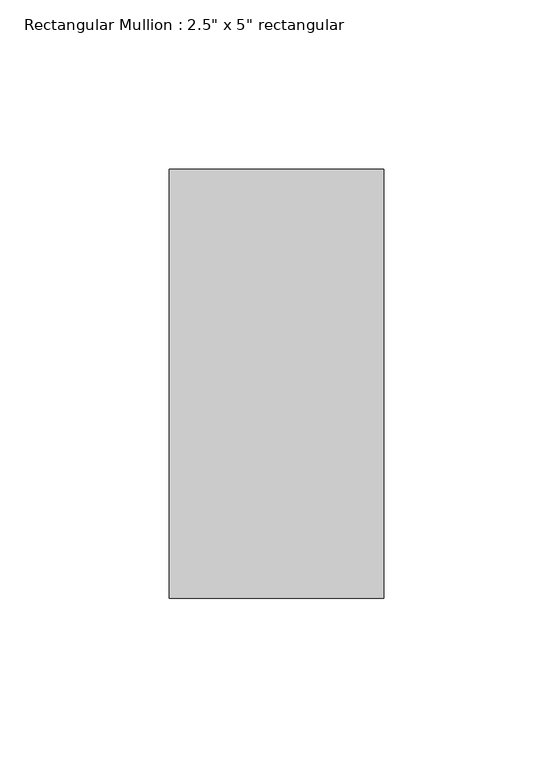
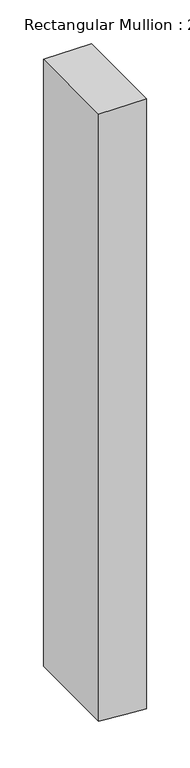
"""IFC4 building model written with IfcOpenShell, lengths in millimetres: member geometry."""

from ifc_helpers import new_model, si_unit, frame, origin, place, context, project, spatial, polyline, outline, extrude, source, transform, mapped, element, save


def member_16ee3fa7(model_context):
    return source(origin(), model_context, "Body", "SweptSolid", [
        extrude(outline(polyline([(0.0, 31.75), (0.0, -31.75), (-850.2420098, -31.75), (-852.6184497, 4.1910353), (-854.4413314, 31.75), (0.0, 31.75)])), frame((0.0, -63.5, 0.0), z_axis=(0.0, 1.0, 0.0), x_axis=(0.0, 0.0, 1.0)), (0.0, 0.0, 1.0), 127.0),
    ])


if __name__ == "__main__":
    model = new_model("IFC4")
    model_context = context("Model", 3, world=origin())
    ifc_project = project(units=[si_unit("LENGTHUNIT", "METRE", prefix="MILLI")], contexts=[model_context])
    site = spatial("IfcSite", under=ifc_project)
    building = spatial("IfcBuilding", under=site)
    placement = place(None, origin())
    member_shape = member_16ee3fa7(model_context)
    element("IfcMember", 1, ObjectType="Rectangular Mullion : 2.5\" x 5\" rectangular", at=placement, inside=building, context=model_context, shape_type="MappedRepresentation", body=[
        mapped(member_shape, transform((0.0, 0.0, 0.0), x_axis=(1.0, 0.0, 0.0), y_axis=(0.0, 1.0, 0.0), z_axis=(0.0, 0.0, 1.0))),
    ])
    save(model, "model.ifc")
